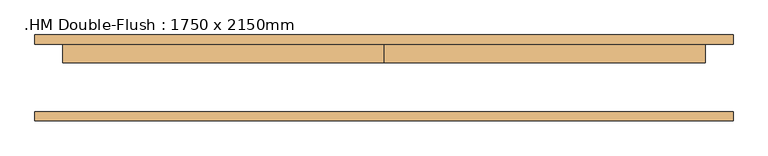
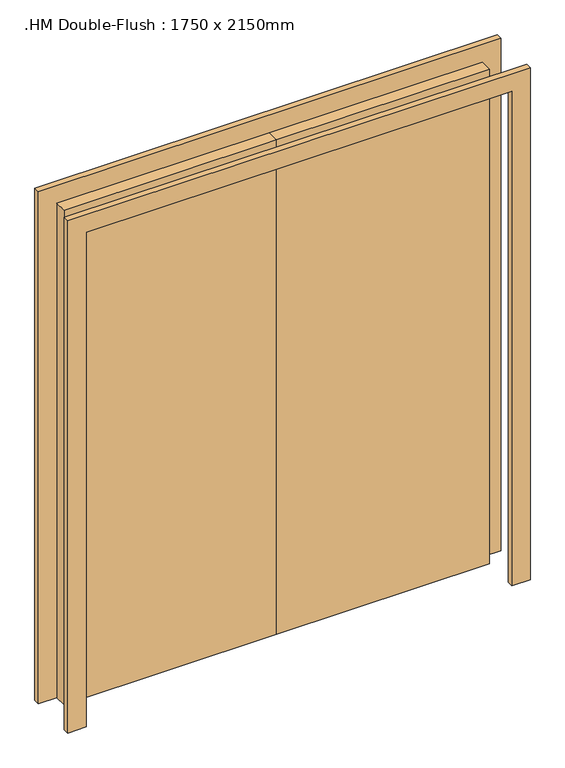
"""IFC4 building model written with IfcOpenShell, lengths in millimetres: door geometry, .HM Double-Flush : 1750 x 2150mm."""

from ifc_helpers import new_model, si_unit, frame, origin, origin_with_axes, place, context, project, spatial, polyline, outline, extrude, source, transform, mapped, element, save


def hm_double_flush_1750_x_2150mm_8faade61(model_context):
    return source(origin(), model_context, "Body", "SweptSolid", [
        extrude(outline(polyline([(0.0, 92.0), (875.0, 92.0), (875.0, 41.0), (0.0, 41.0), (0.0, 92.0)])), origin_with_axes(), (0.0, 0.0, 1.0), 2150.0),
        extrude(outline(polyline([(-875.0, 92.0), (0.0, 92.0), (0.0, 41.0), (-875.0, 41.0), (-875.0, 92.0)])), origin_with_axes(), (0.0, 0.0, 1.0), 2150.0),
        extrude(outline(polyline([(2150.0, -875.0), (2150.0, 875.0), (0.0, 875.0), (0.0, 951.0), (2226.0, 951.0), (2226.0, -951.0), (0.0, -951.0), (0.0, -875.0), (2150.0, -875.0)])), frame((0.0, -117.0, 0.0), z_axis=(0.0, 1.0, 0.0), x_axis=(0.0, 0.0, 1.0)), (0.0, 0.0, 1.0), 25.0),
        extrude(outline(polyline([(2150.0, -875.0), (2150.0, 875.0), (0.0, 875.0), (0.0, 951.0), (2226.0, 951.0), (2226.0, -951.0), (0.0, -951.0), (0.0, -875.0), (2150.0, -875.0)])), frame((0.0, 92.0, 0.0), z_axis=(0.0, 1.0, 0.0), x_axis=(0.0, 0.0, 1.0)), (0.0, 0.0, 1.0), 25.0),
    ])


if __name__ == "__main__":
    model = new_model("IFC4")
    model_context = context("Model", 3, world=origin())
    ifc_project = project(units=[si_unit("LENGTHUNIT", "METRE", prefix="MILLI")], contexts=[model_context])
    site = spatial("IfcSite", under=ifc_project)
    building = spatial("IfcBuilding", under=site)
    placement = place(None, origin())
    hm_double_flush_1750_x_2150mm_shape = hm_double_flush_1750_x_2150mm_8faade61(model_context)
    element("IfcDoor", 1, ObjectType=".HM Double-Flush : 1750 x 2150mm", at=placement, inside=building, context=model_context, shape_type="MappedRepresentation", body=[
        mapped(hm_double_flush_1750_x_2150mm_shape, transform((0.0, 0.0, 0.0), x_axis=(1.0, 0.0, 0.0), y_axis=(0.0, 1.0, 0.0), z_axis=(0.0, 0.0, 1.0))),
    ])
    save(model, "model.ifc")
